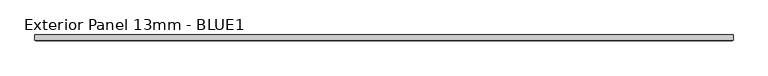
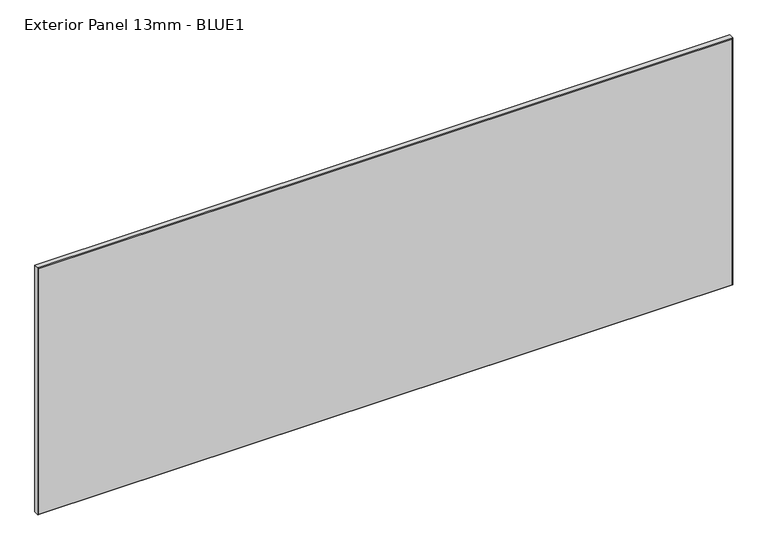
"""IFC4 building model written with IfcOpenShell, lengths in millimetres: proxy geometry, Exterior Panel 13mm - BLUE1."""

from ifc_helpers import new_model, si_unit, origin, place, context, project, spatial, faceted_brep, source, transform, mapped, element, save


def exterior_panel_13mm_blue1_ee37725f(model_context):
    return source(origin(), model_context, "Body", "Brep", [
        faceted_brep([(1065.2125, 6.35, 571.5), (-457.2, 6.35, 571.5), (-457.2, -4.7625, 571.5), (1065.2125, -4.7625, 571.5), (1065.2125, 6.35, 0.0), (1065.2125, -4.7625, 0.0), (-457.2, -4.7625, 0.0), (-457.2, 6.35, 0.0), (-455.6125, -6.35, 569.9125), (-455.6125, -6.35, 1.5875), (1063.625, -6.35, 1.5875), (1063.625, -6.35, 569.9125)], [[[0, 1, 2, 3]], [[4, 5, 6, 7]], [[1, 0, 4, 7]], [[2, 1, 7, 6]], [[8, 9, 10, 11]], [[0, 3, 5, 4]], [[2, 6, 9, 8]], [[5, 3, 11, 10]], [[3, 2, 8, 11]], [[6, 5, 10, 9]]]),
    ])


if __name__ == "__main__":
    model = new_model("IFC4")
    model_context = context("Model", 3, world=origin())
    ifc_project = project(units=[si_unit("LENGTHUNIT", "METRE", prefix="MILLI")], contexts=[model_context])
    site = spatial("IfcSite", under=ifc_project)
    building = spatial("IfcBuilding", under=site)
    placement = place(None, origin())
    exterior_panel_13mm_blue1_shape = exterior_panel_13mm_blue1_ee37725f(model_context)
    element("IfcBuildingElementProxy", 1, Name="Exterior Panel 13mm - BLUE1", ObjectType="Exterior Panel 13mm - BLUE1", at=placement, inside=building, context=model_context, shape_type="MappedRepresentation", body=[
        mapped(exterior_panel_13mm_blue1_shape, transform((0.0, 0.0, 0.0), x_axis=(1.0, 0.0, 0.0), y_axis=(0.0, 1.0, 0.0), z_axis=(0.0, 0.0, 1.0))),
    ])
    save(model, "model.ifc")
